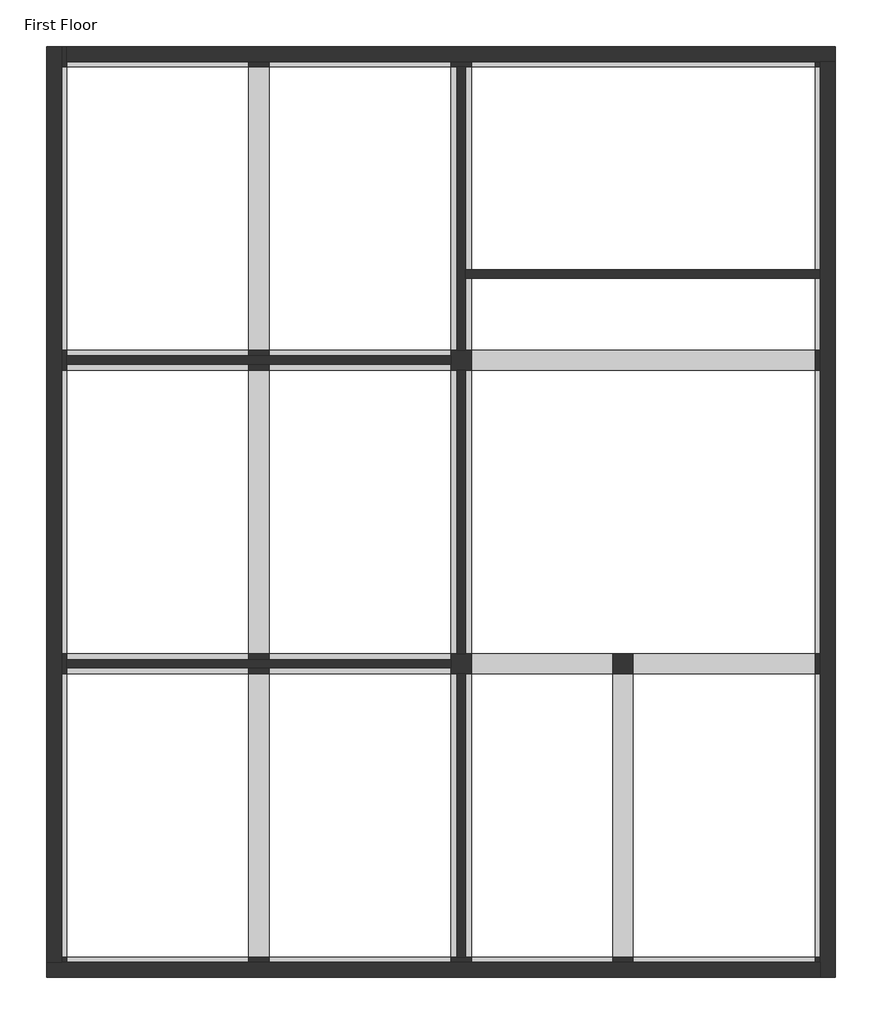
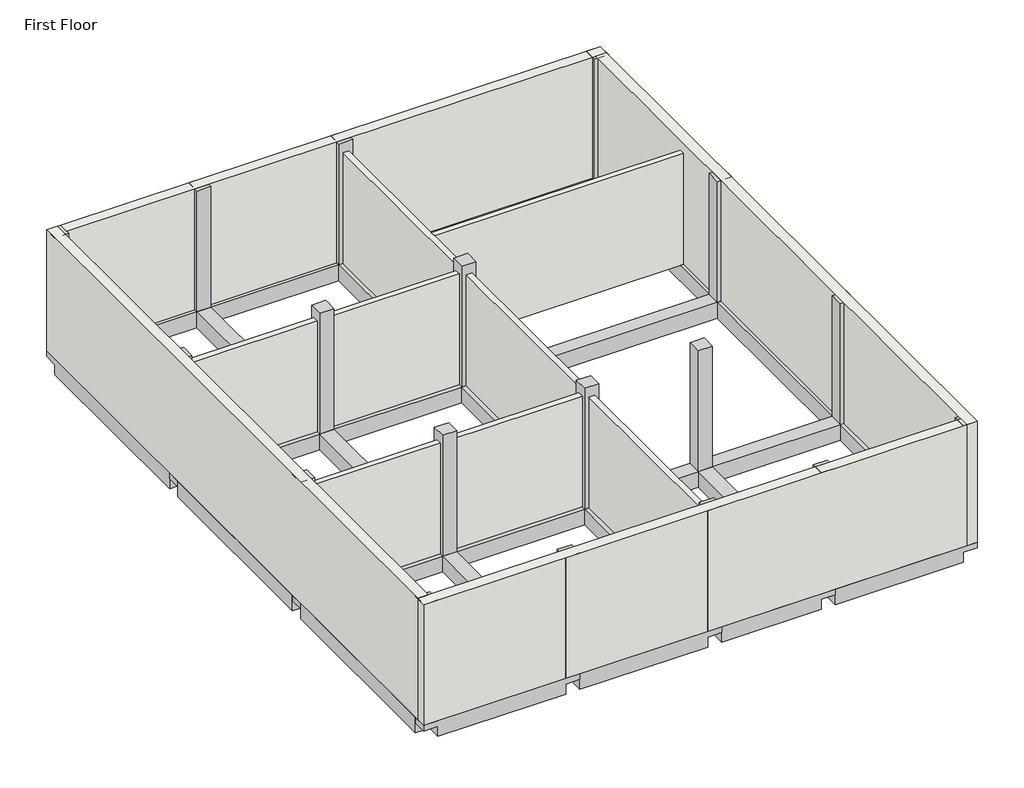
# One storey: 27 beams, 18 columns, 10 walls.
"""IFC4 building model written with IfcOpenShell, lengths in millimetres."""

import ifcopenshell
import ifcopenshell.guid

model = None  # the IFC model being written
_history = None  # IfcOwnerHistory: only IFC2X3 demands one
_inside = {}  # id of a spatial element -> (the spatial element, [elements in it])
_under = {}  # id of a project, library or spatial element -> (it, [spatial elements below it])
_declared = {}  # id of a project -> (the project, [libraries it declares])
_typed = {}  # id of a type object -> (the type object, [elements of that type])
_made_of = {}  # id of a material, layer set ... -> (it, [elements and type objects made of it])


def new_model(schema):
    """Start an empty IFC model of exactly this schema.

    Asked for "IFC4X3", IfcOpenShell would pick the latest addendum, in which some entities
    have other attributes; the version numbers below select the first issue.
    IFC2X3 requires an IfcOwnerHistory on every rooted entity: one is made here for all.
    """
    global model, _history
    if schema == "IFC4X3":
        model = ifcopenshell.file(schema_version=(4, 3, 0, 0))
    else:
        model = ifcopenshell.file(schema=schema)
    _inside.clear()
    _under.clear()
    _declared.clear()
    _typed.clear()
    _made_of.clear()
    _history = None
    if model.schema == "IFC2X3":
        org = make("IfcOrganization", Name="unknown")
        user = make(
            "IfcPersonAndOrganization",
            ThePerson=make("IfcPerson", FamilyName="unknown"),
            TheOrganization=org,
        )
        app = make(
            "IfcApplication",
            ApplicationDeveloper=org,
            Version="unknown",
            ApplicationFullName="unknown",
            ApplicationIdentifier="unknown",
        )
        _history = make(
            "IfcOwnerHistory",
            OwningUser=user,
            OwningApplication=app,
            ChangeAction="ADDED",
            CreationDate=0,
        )
    return model


def make(cls, **values):
    """One entity of the class cls with the attributes given. An attribute that is None is left unset."""
    return model.create_entity(
        cls, **{name: value for name, value in values.items() if value is not None}
    )


def rooted(cls, **values):
    """An entity with a GlobalId (a new one), such as an element, a storey or a relation."""
    return make(cls, GlobalId=ifcopenshell.guid.new(), OwnerHistory=_history, **values)


def si_unit(unit_type, name, prefix=None):
    """IfcSIUnit, for example si_unit("LENGTHUNIT", "METRE", prefix="MILLI")."""
    return make("IfcSIUnit", UnitType=unit_type, Prefix=prefix, Name=name)


def assignment(units):
    """IfcUnitAssignment: the units of a project."""
    return None if units is None else make("IfcUnitAssignment", Units=units)


def point(xyz):
    """IfcCartesianPoint."""
    return None if xyz is None else make("IfcCartesianPoint", Coordinates=xyz)


def direction(xyz):
    """IfcDirection."""
    return None if xyz is None else make("IfcDirection", DirectionRatios=xyz)


def frame(location, z_axis=None, x_axis=None):
    """IfcAxis2Placement3D, a coordinate frame: its origin and axes. An axis left out is left unset."""
    return make(
        "IfcAxis2Placement3D",
        Location=point(location),
        Axis=direction(z_axis),
        RefDirection=direction(x_axis),
    )


def origin():
    """The frame at (0, 0, 0) with its axes left unset."""
    return frame((0.0, 0.0, 0.0))


def place(relative_to, where):
    """IfcLocalPlacement: puts the frame where relative to a parent placement (None: the world)."""
    return make(
        "IfcLocalPlacement", PlacementRelTo=relative_to, RelativePlacement=where
    )


def context(
    kind, dimensions, precision=None, world=None, true_north=None, identifier=None
):
    """IfcGeometricRepresentationContext, for example the 3D "Model" context."""
    return make(
        "IfcGeometricRepresentationContext",
        ContextIdentifier=identifier,
        ContextType=kind,
        CoordinateSpaceDimension=dimensions,
        Precision=precision,
        WorldCoordinateSystem=world,
        TrueNorth=true_north,
    )


def project(units=None, contexts=None):
    """IfcProject with its units and contexts."""
    return rooted(
        "IfcProject",
        Name="project",
        RepresentationContexts=contexts,
        UnitsInContext=assignment(units),
    )


def spatial(cls, under=None, at=None, **own):
    """A site, building, storey or space (cls), placed at a placement, below another one or the project."""
    s = rooted(cls, ObjectPlacement=at, **own)
    if under is not None:
        _under.setdefault(under.id(), (under, []))[1].append(s)
    return s


def polyline(points):
    """IfcPolyline through the points."""
    return make("IfcPolyline", Points=[point(p) for p in points])


def outline(outer, holes=None, kind="AREA"):
    """IfcArbitraryClosedProfileDef: a profile drawn as a closed curve; with holes, ...WithVoids."""
    if holes is None:
        return make("IfcArbitraryClosedProfileDef", ProfileType=kind, OuterCurve=outer)
    return make(
        "IfcArbitraryProfileDefWithVoids",
        ProfileType=kind,
        OuterCurve=outer,
        InnerCurves=holes,
    )


def extrude(swept, where, along, depth):
    """IfcExtrudedAreaSolid: the profile swept, set in the frame where, extruded along a direction by depth."""
    return make(
        "IfcExtrudedAreaSolid",
        SweptArea=swept,
        Position=where,
        ExtrudedDirection=direction(along),
        Depth=depth,
    )


def faces_of(points, faces, orient=None, outer=None):
    """IfcFace entities. A face is a list of loops; a loop is a list of indices into points, from 0.

    orient and outer hold one flag for each loop. By default every Orientation is true, the
    first loop of a face is its IfcFaceOuterBound and the others are IfcFaceBound.
    """
    made = []
    for i, loops in enumerate(faces):
        bounds = []
        for j, loop in enumerate(loops):
            is_outer = j == 0 if outer is None else outer[i][j]
            bounds.append(
                make(
                    "IfcFaceOuterBound" if is_outer else "IfcFaceBound",
                    Bound=make("IfcPolyLoop", Polygon=[points[k] for k in loop]),
                    Orientation=True if orient is None else orient[i][j],
                )
            )
        made.append(make("IfcFace", Bounds=bounds))
    return made


def faceted_brep(points, faces, orient=None, outer=None, voids=None):
    """IfcFacetedBrep: a solid bounded by flat faces; with voids (closed shells), ...WithVoids."""
    shared = [point(p) for p in points]
    hull = make("IfcClosedShell", CfsFaces=faces_of(shared, faces, orient, outer))
    if voids is None:
        return make("IfcFacetedBrep", Outer=hull)
    return make(
        "IfcFacetedBrepWithVoids",
        Outer=hull,
        Voids=[
            make(cls, CfsFaces=faces_of(shared, fs, o, b)) for cls, fs, o, b in voids
        ],
    )


def shape(context_of_items, identifier, shape_type, items):
    """IfcShapeRepresentation: the items that make up one representation, for example the "Body"."""
    return make(
        "IfcShapeRepresentation",
        ContextOfItems=context_of_items,
        RepresentationIdentifier=identifier,
        RepresentationType=shape_type,
        Items=items,
    )


def made_of(thing, what):
    """Note that an element or type object is made of a material, layer set ...; save() writes the relation."""
    if what is not None:
        _made_of.setdefault(what.id(), (what, []))[1].append(thing)
    return thing


def element(
    cls,
    number,
    at=None,
    inside=None,
    cuts=None,
    type_object=None,
    material=None,
    context=None,
    identifier="Body",
    shape_type=None,
    held_by="IfcProductDefinitionShape",
    body=None,
    shapes=None,
    **own,
):
    """One element of the class cls, such as IfcWall. Its Tag is "e" and its number.

    at: its placement. inside: the storey or other place that contains it. cuts: it is an
    opening in that element (IfcRelVoidsElement). A single representation is given by context,
    identifier, shape_type and body (its items); several are given by shapes. held_by: the class
    of the entity that holds the representations. save() writes the other relations.
    """
    e = rooted(cls, Tag="e%d" % number, ObjectPlacement=at, **own)
    if body is not None:
        shapes = [shape(context, identifier, shape_type, body)]
    if shapes is not None:
        e.Representation = make(held_by, Representations=shapes)
    if inside is not None:
        _inside.setdefault(inside.id(), (inside, []))[1].append(e)
    if cuts is not None:
        rooted(
            "IfcRelVoidsElement", RelatingBuildingElement=cuts, RelatedOpeningElement=e
        )
    if type_object is not None:
        _typed.setdefault(type_object.id(), (type_object, []))[1].append(e)
    return made_of(e, material)


def aggregate(whole, parts):
    """IfcRelAggregates: a whole, such as a stair, and the parts it consists of."""
    return rooted("IfcRelAggregates", RelatingObject=whole, RelatedObjects=parts)


def save(model, path):
    """Write the relations noted so far, then the file.

    IfcRelAggregates (storeys below a building ...), IfcRelContainedInSpatialStructure (elements
    in a storey), IfcRelDefinesByType, IfcRelAssociatesMaterial and IfcRelDeclares: one each for
    every whole, place, type object, material and project.
    """
    for whole, parts in _under.values():
        aggregate(whole, parts)
    for where, things in _inside.values():
        rooted(
            "IfcRelContainedInSpatialStructure",
            RelatedElements=things,
            RelatingStructure=where,
        )
    for kind, things in _typed.values():
        rooted("IfcRelDefinesByType", RelatedObjects=things, RelatingType=kind)
    for what, things in _made_of.values():
        rooted("IfcRelAssociatesMaterial", RelatedObjects=things, RelatingMaterial=what)
    for by, libraries in _declared.values():
        rooted("IfcRelDeclares", RelatingContext=by, RelatedDefinitions=libraries)
    model.write(path)


model = new_model("IFC4")

# Units and contexts
model_context = context("Model", 3, world=origin())
ifc_project = project(units=[si_unit("LENGTHUNIT", "METRE", prefix="MILLI")], contexts=[model_context])

# Site, building, storey
site = spatial("IfcSite", under=ifc_project)
building = spatial("IfcBuilding", under=site)
storey = spatial("IfcBuildingStorey", under=building, Name="First Floor", Elevation=2870.2)

# Beams
placement = place(None, origin())
element("IfcBeam", 1, ObjectType="Concrete-Rectangular Beam", at=placement, inside=storey, context=model_context, shape_type="Brep", body=[
    faceted_brep([(6210.1409002, -15344.0114294, 2870.2), (6210.1409002, -15039.2114294, 2870.2), (5905.3409002, -15039.2114294, 2870.2), (3162.1409002, -15039.2114294, 2870.2), (2857.3409002, -15039.2114294, 2870.2), (2857.3409002, -15344.0114294, 2870.2), (3162.1409002, -15344.0114294, 2870.2), (5905.3409002, -15344.0114294, 2870.2), (2857.3409002, -15344.0114294, 2743.2), (3162.1409002, -15344.0114294, 2743.2), (3162.1409002, -15344.0114294, 2514.6), (5905.3409002, -15344.0114294, 2514.6), (5905.3409002, -15344.0114294, 2743.2), (6210.1409002, -15344.0114294, 2743.2), (3162.1409002, -15039.2114294, 2514.6), (5905.3409002, -15039.2114294, 2514.6), (6210.1409002, -15039.2114294, 2743.2), (5905.3409002, -15039.2114294, 2743.2), (3162.1409002, -15039.2114294, 2743.2), (2857.3409002, -15039.2114294, 2743.2)], [[[0, 1, 2, 3, 4, 5, 6, 7]], [[0, 7, 6, 5, 8, 9, 10, 11, 12, 13]], [[10, 14, 15, 11]], [[4, 3, 2, 1, 16, 17, 15, 14, 18, 19]], [[1, 0, 13, 16]], [[5, 4, 19, 8]], [[9, 18, 14, 10]], [[18, 9, 8, 19]], [[17, 12, 11, 15]], [[12, 17, 16, 13]]]),
])
element("IfcBeam", 2, ObjectType="Concrete-Rectangular Beam", at=placement, inside=storey, context=model_context, shape_type="Brep", body=[
    faceted_brep([(9258.1409002, -15344.0114294, 2870.2), (9258.1409002, -15039.2114294, 2870.2), (8953.3409002, -15039.2114294, 2870.2), (6210.1409002, -15039.2114294, 2870.2), (6210.1409002, -15344.0114294, 2870.2), (8953.3409002, -15344.0114294, 2870.2), (6210.1409002, -15344.0114294, 2743.2), (6210.1409002, -15344.0114294, 2514.6), (8953.3409002, -15344.0114294, 2514.6), (8953.3409002, -15344.0114294, 2743.2), (9258.1409002, -15344.0114294, 2743.2), (6210.1409002, -15039.2114294, 2514.6), (8953.3409002, -15039.2114294, 2514.6), (9258.1409002, -15039.2114294, 2743.2), (8953.3409002, -15039.2114294, 2743.2), (6210.1409002, -15039.2114294, 2743.2)], [[[0, 1, 2, 3, 4, 5]], [[0, 5, 4, 6, 7, 8, 9, 10]], [[7, 11, 12, 8]], [[3, 2, 1, 13, 14, 12, 11, 15]], [[1, 0, 10, 13]], [[4, 3, 15, 11, 7, 6]], [[14, 9, 8, 12]], [[9, 14, 13, 10]]]),
])
element("IfcBeam", 3, ObjectType="Concrete-Rectangular Beam", at=placement, inside=storey, context=model_context, shape_type="Brep", body=[
    faceted_brep([(11696.5409002, -15344.0114294, 2870.2), (11696.5409002, -15039.2114294, 2870.2), (11391.7409002, -15039.2114294, 2870.2), (9258.1409002, -15039.2114294, 2870.2), (9258.1409002, -15344.0114294, 2870.2), (11391.7409002, -15344.0114294, 2870.2), (9258.1409002, -15344.0114294, 2743.2), (9258.1409002, -15344.0114294, 2514.6), (11391.7409002, -15344.0114294, 2514.6), (11391.7409002, -15344.0114294, 2743.2), (11696.5409002, -15344.0114294, 2743.2), (9258.1409002, -15039.2114294, 2514.6), (11391.7409002, -15039.2114294, 2514.6), (11696.5409002, -15039.2114294, 2743.2), (11391.7409002, -15039.2114294, 2743.2), (9258.1409002, -15039.2114294, 2743.2)], [[[0, 1, 2, 3, 4, 5]], [[0, 5, 4, 6, 7, 8, 9, 10]], [[7, 11, 12, 8]], [[3, 2, 1, 13, 14, 12, 11, 15]], [[1, 0, 10, 13]], [[4, 3, 15, 11, 7, 6]], [[14, 9, 8, 12]], [[9, 14, 13, 10]]]),
])
element("IfcBeam", 4, ObjectType="Concrete-Rectangular Beam", at=placement, inside=storey, context=model_context, shape_type="Brep", body=[
    faceted_brep([(14744.5409002, -15344.0114294, 2870.2), (14744.5409002, -15039.2114294, 2870.2), (14439.7409002, -15039.2114294, 2870.2), (11696.5409002, -15039.2114294, 2870.2), (11696.5409002, -15344.0114294, 2870.2), (14439.7409002, -15344.0114294, 2870.2), (11696.5409002, -15344.0114294, 2743.2), (11696.5409002, -15344.0114294, 2514.6), (14439.7409002, -15344.0114294, 2514.6), (14439.7409002, -15344.0114294, 2743.2), (14744.5409002, -15344.0114294, 2743.2), (11696.5409002, -15039.2114294, 2514.6), (14439.7409002, -15039.2114294, 2514.6), (14744.5409002, -15039.2114294, 2743.2), (14439.7409002, -15039.2114294, 2743.2), (11696.5409002, -15039.2114294, 2743.2)], [[[0, 1, 2, 3, 4, 5]], [[0, 5, 4, 6, 7, 8, 9, 10]], [[7, 11, 12, 8]], [[3, 2, 1, 13, 14, 12, 11, 15]], [[1, 0, 10, 13]], [[4, 3, 15, 11, 7, 6]], [[14, 9, 8, 12]], [[9, 14, 13, 10]]]),
])
element("IfcBeam", 5, ObjectType="Concrete-Rectangular Beam", at=placement, inside=storey, context=model_context, shape_type="Brep", body=[
    faceted_brep([(6210.1409002, -10772.0114294, 2870.2), (6210.1409002, -10467.2114294, 2870.2), (5905.3409002, -10467.2114294, 2870.2), (3162.1409002, -10467.2114294, 2870.2), (2857.3409002, -10467.2114294, 2870.2), (2857.3409002, -10772.0114294, 2870.2), (3162.1409002, -10772.0114294, 2870.2), (5905.3409002, -10772.0114294, 2870.2), (2857.3409002, -10772.0114294, 2743.2), (3162.1409002, -10772.0114294, 2743.2), (3162.1409002, -10772.0114294, 2514.6), (5905.3409002, -10772.0114294, 2514.6), (5905.3409002, -10772.0114294, 2743.2), (6210.1409002, -10772.0114294, 2743.2), (3162.1409002, -10467.2114294, 2514.6), (5905.3409002, -10467.2114294, 2514.6), (6210.1409002, -10467.2114294, 2743.2), (5905.3409002, -10467.2114294, 2743.2), (3162.1409002, -10467.2114294, 2743.2), (2857.3409002, -10467.2114294, 2743.2)], [[[0, 1, 2, 3, 4, 5, 6, 7]], [[0, 7, 6, 5, 8, 9, 10, 11, 12, 13]], [[10, 14, 15, 11]], [[4, 3, 2, 1, 16, 17, 15, 14, 18, 19]], [[1, 0, 13, 16]], [[5, 4, 19, 8]], [[9, 18, 14, 10]], [[18, 9, 8, 19]], [[17, 12, 11, 15]], [[12, 17, 16, 13]]]),
])
element("IfcBeam", 6, ObjectType="Concrete-Rectangular Beam", at=placement, inside=storey, context=model_context, shape_type="Brep", body=[
    faceted_brep([(9258.1409002, -10772.0114294, 2870.2), (9258.1409002, -10467.2114294, 2870.2), (8953.3409002, -10467.2114294, 2870.2), (6210.1409002, -10467.2114294, 2870.2), (6210.1409002, -10772.0114294, 2870.2), (8953.3409002, -10772.0114294, 2870.2), (6210.1409002, -10772.0114294, 2743.2), (6210.1409002, -10772.0114294, 2514.6), (8953.3409002, -10772.0114294, 2514.6), (8953.3409002, -10772.0114294, 2743.2), (9258.1409002, -10772.0114294, 2743.2), (6210.1409002, -10467.2114294, 2514.6), (8953.3409002, -10467.2114294, 2514.6), (9258.1409002, -10467.2114294, 2743.2), (8953.3409002, -10467.2114294, 2743.2), (6210.1409002, -10467.2114294, 2743.2)], [[[0, 1, 2, 3, 4, 5]], [[0, 5, 4, 6, 7, 8, 9, 10]], [[7, 11, 12, 8]], [[3, 2, 1, 13, 14, 12, 11, 15]], [[1, 0, 10, 13]], [[4, 3, 15, 11, 7, 6]], [[14, 9, 8, 12]], [[9, 14, 13, 10]]]),
])
element("IfcBeam", 7, ObjectType="Concrete-Rectangular Beam", at=placement, inside=storey, context=model_context, shape_type="Brep", body=[
    faceted_brep([(11696.5409002, -10772.0114294, 2870.2), (11696.5409002, -10467.2114294, 2870.2), (11391.7409002, -10467.2114294, 2870.2), (9258.1409002, -10467.2114294, 2870.2), (9258.1409002, -10772.0114294, 2870.2), (11391.7409002, -10772.0114294, 2870.2), (9258.1409002, -10772.0114294, 2743.2), (9258.1409002, -10772.0114294, 2514.6), (11391.7409002, -10772.0114294, 2514.6), (11391.7409002, -10772.0114294, 2743.2), (11696.5409002, -10772.0114294, 2743.2), (9258.1409002, -10467.2114294, 2514.6), (11391.7409002, -10467.2114294, 2514.6), (11696.5409002, -10467.2114294, 2743.2), (11391.7409002, -10467.2114294, 2743.2), (9258.1409002, -10467.2114294, 2743.2)], [[[0, 1, 2, 3, 4, 5]], [[0, 5, 4, 6, 7, 8, 9, 10]], [[7, 11, 12, 8]], [[3, 2, 1, 13, 14, 12, 11, 15]], [[1, 0, 10, 13]], [[4, 3, 15, 11, 7, 6]], [[14, 9, 8, 12]], [[9, 14, 13, 10]]]),
])
element("IfcBeam", 8, ObjectType="Concrete-Rectangular Beam", at=placement, inside=storey, context=model_context, shape_type="Brep", body=[
    faceted_brep([(14744.5409002, -10772.0114294, 2870.2), (14744.5409002, -10467.2114294, 2870.2), (14439.7409002, -10467.2114294, 2870.2), (11696.5409002, -10467.2114294, 2870.2), (11696.5409002, -10772.0114294, 2870.2), (14439.7409002, -10772.0114294, 2870.2), (11696.5409002, -10772.0114294, 2743.2), (11696.5409002, -10772.0114294, 2514.6), (14439.7409002, -10772.0114294, 2514.6), (14439.7409002, -10772.0114294, 2743.2), (14744.5409002, -10772.0114294, 2743.2), (11696.5409002, -10467.2114294, 2514.6), (14439.7409002, -10467.2114294, 2514.6), (14744.5409002, -10467.2114294, 2743.2), (14439.7409002, -10467.2114294, 2743.2), (11696.5409002, -10467.2114294, 2743.2)], [[[0, 1, 2, 3, 4, 5]], [[0, 5, 4, 6, 7, 8, 9, 10]], [[7, 11, 12, 8]], [[3, 2, 1, 13, 14, 12, 11, 15]], [[1, 0, 10, 13]], [[4, 3, 15, 11, 7, 6]], [[14, 9, 8, 12]], [[9, 14, 13, 10]]]),
])
element("IfcBeam", 9, ObjectType="Concrete-Rectangular Beam", at=placement, inside=storey, context=model_context, shape_type="Brep", body=[
    faceted_brep([(6210.1409002, -6200.0114294, 2870.2), (6210.1409002, -5895.2114294, 2870.2), (5905.3409002, -5895.2114294, 2870.2), (3162.1409002, -5895.2114294, 2870.2), (2857.3409002, -5895.2114294, 2870.2), (2857.3409002, -6200.0114294, 2870.2), (3162.1409002, -6200.0114294, 2870.2), (5905.3409002, -6200.0114294, 2870.2), (2857.3409002, -6200.0114294, 2743.2), (3162.1409002, -6200.0114294, 2743.2), (3162.1409002, -6200.0114294, 2514.6), (5905.3409002, -6200.0114294, 2514.6), (5905.3409002, -6200.0114294, 2743.2), (6210.1409002, -6200.0114294, 2743.2), (3162.1409002, -5895.2114294, 2514.6), (5905.3409002, -5895.2114294, 2514.6), (6210.1409002, -5895.2114294, 2743.2), (5905.3409002, -5895.2114294, 2743.2), (3162.1409002, -5895.2114294, 2743.2), (2857.3409002, -5895.2114294, 2743.2)], [[[0, 1, 2, 3, 4, 5, 6, 7]], [[0, 7, 6, 5, 8, 9, 10, 11, 12, 13]], [[10, 14, 15, 11]], [[4, 3, 2, 1, 16, 17, 15, 14, 18, 19]], [[1, 0, 13, 16]], [[5, 4, 19, 8]], [[9, 18, 14, 10]], [[18, 9, 8, 19]], [[17, 12, 11, 15]], [[12, 17, 16, 13]]]),
])
element("IfcBeam", 10, ObjectType="Concrete-Rectangular Beam", at=placement, inside=storey, context=model_context, shape_type="Brep", body=[
    faceted_brep([(9258.1409002, -6200.0114294, 2870.2), (9258.1409002, -5895.2114294, 2870.2), (8953.3409002, -5895.2114294, 2870.2), (6210.1409002, -5895.2114294, 2870.2), (6210.1409002, -6200.0114294, 2870.2), (8953.3409002, -6200.0114294, 2870.2), (6210.1409002, -6200.0114294, 2743.2), (6210.1409002, -6200.0114294, 2514.6), (8953.3409002, -6200.0114294, 2514.6), (8953.3409002, -6200.0114294, 2743.2), (9258.1409002, -6200.0114294, 2743.2), (6210.1409002, -5895.2114294, 2514.6), (8953.3409002, -5895.2114294, 2514.6), (9258.1409002, -5895.2114294, 2743.2), (8953.3409002, -5895.2114294, 2743.2), (6210.1409002, -5895.2114294, 2743.2)], [[[0, 1, 2, 3, 4, 5]], [[0, 5, 4, 6, 7, 8, 9, 10]], [[7, 11, 12, 8]], [[3, 2, 1, 13, 14, 12, 11, 15]], [[1, 0, 10, 13]], [[4, 3, 15, 11, 7, 6]], [[14, 9, 8, 12]], [[9, 14, 13, 10]]]),
])
element("IfcBeam", 11, ObjectType="Concrete-Rectangular Beam", at=placement, inside=storey, context=model_context, shape_type="Brep", body=[
    faceted_brep([(14744.5409002, -6200.0114294, 2870.2), (14744.5409002, -5895.2114294, 2870.2), (14439.7409002, -5895.2114294, 2870.2), (9258.1409002, -5895.2114294, 2870.2), (9258.1409002, -6200.0114294, 2870.2), (14439.7409002, -6200.0114294, 2870.2), (9258.1409002, -6200.0114294, 2743.2), (9258.1409002, -6200.0114294, 2514.6), (14439.7409002, -6200.0114294, 2514.6), (14439.7409002, -6200.0114294, 2743.2), (14744.5409002, -6200.0114294, 2743.2), (9258.1409002, -5895.2114294, 2514.6), (14439.7409002, -5895.2114294, 2514.6), (14744.5409002, -5895.2114294, 2743.2), (14439.7409002, -5895.2114294, 2743.2), (9258.1409002, -5895.2114294, 2743.2)], [[[0, 1, 2, 3, 4, 5]], [[0, 5, 4, 6, 7, 8, 9, 10]], [[7, 11, 12, 8]], [[3, 2, 1, 13, 14, 12, 11, 15]], [[1, 0, 10, 13]], [[4, 3, 15, 11, 7, 6]], [[14, 9, 8, 12]], [[9, 14, 13, 10]]]),
])
element("IfcBeam", 12, ObjectType="Concrete-Rectangular Beam", at=placement, inside=storey, context=model_context, shape_type="Brep", body=[
    faceted_brep([(3162.1409002, -1323.2114294, 2870.2), (2857.3409002, -1323.2114294, 2870.2), (2857.3409002, -1628.0114294, 2870.2), (2857.3409002, -5895.2114294, 2870.2), (3162.1409002, -5895.2114294, 2870.2), (3162.1409002, -1628.0114294, 2870.2), (2857.3409002, -1323.2114294, 2743.2), (2857.3409002, -1628.0114294, 2743.2), (2857.3409002, -1628.0114294, 2514.6), (2857.3409002, -5895.2114294, 2514.6), (2857.3409002, -5895.2114294, 2743.2), (3162.1409002, -5895.2114294, 2514.6), (3162.1409002, -1628.0114294, 2514.6), (3162.1409002, -5895.2114294, 2743.2), (3162.1409002, -1628.0114294, 2743.2), (3162.1409002, -1323.2114294, 2743.2)], [[[0, 1, 2, 3, 4, 5]], [[3, 2, 1, 6, 7, 8, 9, 10]], [[11, 9, 8, 12]], [[0, 5, 4, 13, 11, 12, 14, 15]], [[1, 0, 15, 6]], [[4, 3, 10, 9, 11, 13]], [[7, 14, 12, 8]], [[14, 7, 6, 15]]]),
])
element("IfcBeam", 13, ObjectType="Concrete-Rectangular Beam", at=placement, inside=storey, context=model_context, shape_type="Brep", body=[
    faceted_brep([(2857.3409002, -10467.2114294, 2870.2), (3162.1409002, -10467.2114294, 2870.2), (3162.1409002, -6200.0114294, 2870.2), (2857.3409002, -6200.0114294, 2870.2), (2857.3409002, -10467.2114294, 2514.6), (2857.3409002, -10467.2114294, 2743.2), (2857.3409002, -6200.0114294, 2743.2), (2857.3409002, -6200.0114294, 2514.6), (3162.1409002, -10467.2114294, 2514.6), (3162.1409002, -6200.0114294, 2514.6), (3162.1409002, -10467.2114294, 2743.2), (3162.1409002, -6200.0114294, 2743.2)], [[[0, 1, 2, 3]], [[4, 5, 0, 3, 6, 7]], [[8, 4, 7, 9]], [[1, 10, 8, 9, 11, 2]], [[1, 0, 5, 4, 8, 10]], [[3, 2, 11, 9, 7, 6]]]),
])
element("IfcBeam", 14, ObjectType="Concrete-Rectangular Beam", at=placement, inside=storey, context=model_context, shape_type="Brep", body=[
    faceted_brep([(2857.3409002, -15039.2114294, 2870.2), (3162.1409002, -15039.2114294, 2870.2), (3162.1409002, -10772.0114294, 2870.2), (2857.3409002, -10772.0114294, 2870.2), (2857.3409002, -15039.2114294, 2514.6), (2857.3409002, -15039.2114294, 2743.2), (2857.3409002, -10772.0114294, 2743.2), (2857.3409002, -10772.0114294, 2514.6), (3162.1409002, -15039.2114294, 2514.6), (3162.1409002, -10772.0114294, 2514.6), (3162.1409002, -15039.2114294, 2743.2), (3162.1409002, -10772.0114294, 2743.2)], [[[0, 1, 2, 3]], [[4, 5, 0, 3, 6, 7]], [[8, 4, 7, 9]], [[1, 10, 8, 9, 11, 2]], [[1, 0, 5, 4, 8, 10]], [[3, 2, 11, 9, 7, 6]]]),
])
element("IfcBeam", 15, ObjectType="Concrete-Rectangular Beam", at=placement, inside=storey, context=model_context, shape_type="Brep", body=[
    faceted_brep([(9258.1409002, -1323.2114294, 2870.2), (8953.3409002, -1323.2114294, 2870.2), (8953.3409002, -1628.0114294, 2870.2), (8953.3409002, -5895.2114294, 2870.2), (9258.1409002, -5895.2114294, 2870.2), (9258.1409002, -1628.0114294, 2870.2), (8953.3409002, -1323.2114294, 2743.2), (8953.3409002, -1628.0114294, 2743.2), (8953.3409002, -1628.0114294, 2514.6), (8953.3409002, -5895.2114294, 2514.6), (8953.3409002, -5895.2114294, 2743.2), (9258.1409002, -5895.2114294, 2514.6), (9258.1409002, -1628.0114294, 2514.6), (9258.1409002, -5895.2114294, 2743.2), (9258.1409002, -1628.0114294, 2743.2), (9258.1409002, -1323.2114294, 2743.2)], [[[0, 1, 2, 3, 4, 5]], [[3, 2, 1, 6, 7, 8, 9, 10]], [[11, 9, 8, 12]], [[0, 5, 4, 13, 11, 12, 14, 15]], [[1, 0, 15, 6]], [[4, 3, 10, 9, 11, 13]], [[7, 14, 12, 8]], [[14, 7, 6, 15]]]),
])
element("IfcBeam", 16, ObjectType="Concrete-Rectangular Beam", at=placement, inside=storey, context=model_context, shape_type="Brep", body=[
    faceted_brep([(8953.3409002, -10467.2114294, 2870.2), (9258.1409002, -10467.2114294, 2870.2), (9258.1409002, -6200.0114294, 2870.2), (8953.3409002, -6200.0114294, 2870.2), (8953.3409002, -10467.2114294, 2514.6), (8953.3409002, -10467.2114294, 2743.2), (8953.3409002, -6200.0114294, 2743.2), (8953.3409002, -6200.0114294, 2514.6), (9258.1409002, -10467.2114294, 2514.6), (9258.1409002, -6200.0114294, 2514.6), (9258.1409002, -10467.2114294, 2743.2), (9258.1409002, -6200.0114294, 2743.2)], [[[0, 1, 2, 3]], [[4, 5, 0, 3, 6, 7]], [[8, 4, 7, 9]], [[1, 10, 8, 9, 11, 2]], [[1, 0, 5, 4, 8, 10]], [[3, 2, 11, 9, 7, 6]]]),
])
element("IfcBeam", 17, ObjectType="Concrete-Rectangular Beam", at=placement, inside=storey, context=model_context, shape_type="Brep", body=[
    faceted_brep([(8953.3409002, -15039.2114294, 2870.2), (9258.1409002, -15039.2114294, 2870.2), (9258.1409002, -10772.0114294, 2870.2), (8953.3409002, -10772.0114294, 2870.2), (8953.3409002, -15039.2114294, 2514.6), (8953.3409002, -15039.2114294, 2743.2), (8953.3409002, -10772.0114294, 2743.2), (8953.3409002, -10772.0114294, 2514.6), (9258.1409002, -15039.2114294, 2514.6), (9258.1409002, -10772.0114294, 2514.6), (9258.1409002, -15039.2114294, 2743.2), (9258.1409002, -10772.0114294, 2743.2)], [[[0, 1, 2, 3]], [[4, 5, 0, 3, 6, 7]], [[8, 4, 7, 9]], [[1, 10, 8, 9, 11, 2]], [[1, 0, 5, 4, 8, 10]], [[3, 2, 11, 9, 7, 6]]]),
])
element("IfcBeam", 18, ObjectType="Concrete-Rectangular Beam", at=placement, inside=storey, context=model_context, shape_type="Brep", body=[
    faceted_brep([(11391.7409002, -15039.2114294, 2870.2), (11696.5409002, -15039.2114294, 2870.2), (11696.5409002, -10772.0114294, 2870.2), (11391.7409002, -10772.0114294, 2870.2), (11391.7409002, -15039.2114294, 2514.6), (11391.7409002, -15039.2114294, 2743.2), (11391.7409002, -10772.0114294, 2743.2), (11391.7409002, -10772.0114294, 2514.6), (11696.5409002, -15039.2114294, 2514.6), (11696.5409002, -10772.0114294, 2514.6), (11696.5409002, -15039.2114294, 2743.2), (11696.5409002, -10772.0114294, 2743.2)], [[[0, 1, 2, 3]], [[4, 5, 0, 3, 6, 7]], [[8, 4, 7, 9]], [[1, 10, 8, 9, 11, 2]], [[1, 0, 5, 4, 8, 10]], [[3, 2, 11, 9, 7, 6]]]),
])
element("IfcBeam", 19, ObjectType="Concrete-Rectangular Beam", at=placement, inside=storey, context=model_context, shape_type="Brep", body=[
    faceted_brep([(6210.1409002, -1628.0114294, 2870.2), (6210.1409002, -1323.2114294, 2870.2), (5905.3409002, -1323.2114294, 2870.2), (3162.1409002, -1323.2114294, 2870.2), (3162.1409002, -1628.0114294, 2870.2), (5905.3409002, -1628.0114294, 2870.2), (3162.1409002, -1628.0114294, 2743.2), (3162.1409002, -1628.0114294, 2514.6), (5905.3409002, -1628.0114294, 2514.6), (5905.3409002, -1628.0114294, 2743.2), (6210.1409002, -1628.0114294, 2743.2), (3162.1409002, -1323.2114294, 2514.6), (5905.3409002, -1323.2114294, 2514.6), (6210.1409002, -1323.2114294, 2743.2), (5905.3409002, -1323.2114294, 2743.2), (3162.1409002, -1323.2114294, 2743.2)], [[[0, 1, 2, 3, 4, 5]], [[0, 5, 4, 6, 7, 8, 9, 10]], [[7, 11, 12, 8]], [[3, 2, 1, 13, 14, 12, 11, 15]], [[1, 0, 10, 13]], [[4, 3, 15, 11, 7, 6]], [[14, 9, 8, 12]], [[9, 14, 13, 10]]]),
])
element("IfcBeam", 20, ObjectType="Concrete-Rectangular Beam", at=placement, inside=storey, context=model_context, shape_type="Brep", body=[
    faceted_brep([(8953.3409002, -1628.0114294, 2870.2), (8953.3409002, -1323.2114294, 2870.2), (6210.1409002, -1323.2114294, 2870.2), (6210.1409002, -1628.0114294, 2870.2), (8953.3409002, -1628.0114294, 2514.6), (8953.3409002, -1628.0114294, 2743.2), (6210.1409002, -1628.0114294, 2743.2), (6210.1409002, -1628.0114294, 2514.6), (8953.3409002, -1323.2114294, 2514.6), (6210.1409002, -1323.2114294, 2514.6), (8953.3409002, -1323.2114294, 2743.2), (6210.1409002, -1323.2114294, 2743.2)], [[[0, 1, 2, 3]], [[4, 5, 0, 3, 6, 7]], [[8, 4, 7, 9]], [[1, 10, 8, 9, 11, 2]], [[1, 0, 5, 4, 8, 10]], [[3, 2, 11, 9, 7, 6]]]),
])
element("IfcBeam", 21, ObjectType="Concrete-Rectangular Beam", at=placement, inside=storey, context=model_context, shape_type="Brep", body=[
    faceted_brep([(14744.5409002, -1628.0114294, 2870.2), (14744.5409002, -1323.2114294, 2870.2), (14439.7409002, -1323.2114294, 2870.2), (9258.1409002, -1323.2114294, 2870.2), (9258.1409002, -1628.0114294, 2870.2), (14439.7409002, -1628.0114294, 2870.2), (9258.1409002, -1628.0114294, 2743.2), (9258.1409002, -1628.0114294, 2514.6), (14439.7409002, -1628.0114294, 2514.6), (14439.7409002, -1628.0114294, 2743.2), (14744.5409002, -1628.0114294, 2743.2), (9258.1409002, -1323.2114294, 2514.6), (14439.7409002, -1323.2114294, 2514.6), (14744.5409002, -1323.2114294, 2743.2), (14439.7409002, -1323.2114294, 2743.2), (9258.1409002, -1323.2114294, 2743.2)], [[[0, 1, 2, 3, 4, 5]], [[0, 5, 4, 6, 7, 8, 9, 10]], [[7, 11, 12, 8]], [[3, 2, 1, 13, 14, 12, 11, 15]], [[1, 0, 10, 13]], [[4, 3, 15, 11, 7, 6]], [[14, 9, 8, 12]], [[9, 14, 13, 10]]]),
])
element("IfcBeam", 22, ObjectType="Concrete-Rectangular Beam", at=placement, inside=storey, context=model_context, shape_type="Brep", body=[
    faceted_brep([(14439.7409002, -5895.2114294, 2870.2), (14744.5409002, -5895.2114294, 2870.2), (14744.5409002, -1628.0114294, 2870.2), (14439.7409002, -1628.0114294, 2870.2), (14439.7409002, -5895.2114294, 2514.6), (14439.7409002, -5895.2114294, 2743.2), (14439.7409002, -1628.0114294, 2743.2), (14439.7409002, -1628.0114294, 2514.6), (14744.5409002, -5895.2114294, 2514.6), (14744.5409002, -1628.0114294, 2514.6), (14744.5409002, -5895.2114294, 2743.2), (14744.5409002, -1628.0114294, 2743.2)], [[[0, 1, 2, 3]], [[4, 5, 0, 3, 6, 7]], [[8, 4, 7, 9]], [[1, 10, 8, 9, 11, 2]], [[1, 0, 5, 4, 8, 10]], [[3, 2, 11, 9, 7, 6]]]),
])
element("IfcBeam", 23, ObjectType="Concrete-Rectangular Beam", at=placement, inside=storey, context=model_context, shape_type="Brep", body=[
    faceted_brep([(14439.7409002, -10467.2114294, 2870.2), (14744.5409002, -10467.2114294, 2870.2), (14744.5409002, -6200.0114294, 2870.2), (14439.7409002, -6200.0114294, 2870.2), (14439.7409002, -10467.2114294, 2514.6), (14439.7409002, -10467.2114294, 2743.2), (14439.7409002, -6200.0114294, 2743.2), (14439.7409002, -6200.0114294, 2514.6), (14744.5409002, -10467.2114294, 2514.6), (14744.5409002, -6200.0114294, 2514.6), (14744.5409002, -10467.2114294, 2743.2), (14744.5409002, -6200.0114294, 2743.2)], [[[0, 1, 2, 3]], [[4, 5, 0, 3, 6, 7]], [[8, 4, 7, 9]], [[1, 10, 8, 9, 11, 2]], [[1, 0, 5, 4, 8, 10]], [[3, 2, 11, 9, 7, 6]]]),
])
element("IfcBeam", 24, ObjectType="Concrete-Rectangular Beam", at=placement, inside=storey, context=model_context, shape_type="Brep", body=[
    faceted_brep([(14439.7409002, -15039.2114294, 2870.2), (14744.5409002, -15039.2114294, 2870.2), (14744.5409002, -10772.0114294, 2870.2), (14439.7409002, -10772.0114294, 2870.2), (14439.7409002, -15039.2114294, 2514.6), (14439.7409002, -15039.2114294, 2743.2), (14439.7409002, -10772.0114294, 2743.2), (14439.7409002, -10772.0114294, 2514.6), (14744.5409002, -15039.2114294, 2514.6), (14744.5409002, -10772.0114294, 2514.6), (14744.5409002, -15039.2114294, 2743.2), (14744.5409002, -10772.0114294, 2743.2)], [[[0, 1, 2, 3]], [[4, 5, 0, 3, 6, 7]], [[8, 4, 7, 9]], [[1, 10, 8, 9, 11, 2]], [[1, 0, 5, 4, 8, 10]], [[3, 2, 11, 9, 7, 6]]]),
])
element("IfcBeam", 25, ObjectType="Concrete-Rectangular Beam", at=placement, inside=storey, context=model_context, shape_type="Brep", body=[
    faceted_brep([(5905.3409002, -5895.2114294, 2870.2), (6210.1409002, -5895.2114294, 2870.2), (6210.1409002, -1628.0114294, 2870.2), (5905.3409002, -1628.0114294, 2870.2), (5905.3409002, -5895.2114294, 2514.6), (5905.3409002, -5895.2114294, 2743.2), (5905.3409002, -1628.0114294, 2743.2), (5905.3409002, -1628.0114294, 2514.6), (6210.1409002, -5895.2114294, 2514.6), (6210.1409002, -1628.0114294, 2514.6), (6210.1409002, -5895.2114294, 2743.2), (6210.1409002, -1628.0114294, 2743.2)], [[[0, 1, 2, 3]], [[4, 5, 0, 3, 6, 7]], [[8, 4, 7, 9]], [[1, 10, 8, 9, 11, 2]], [[1, 0, 5, 4, 8, 10]], [[3, 2, 11, 9, 7, 6]]]),
])
element("IfcBeam", 26, ObjectType="Concrete-Rectangular Beam", at=placement, inside=storey, context=model_context, shape_type="Brep", body=[
    faceted_brep([(5905.3409002, -10467.2114294, 2870.2), (6210.1409002, -10467.2114294, 2870.2), (6210.1409002, -6200.0114294, 2870.2), (5905.3409002, -6200.0114294, 2870.2), (5905.3409002, -10467.2114294, 2514.6), (5905.3409002, -10467.2114294, 2743.2), (5905.3409002, -6200.0114294, 2743.2), (5905.3409002, -6200.0114294, 2514.6), (6210.1409002, -10467.2114294, 2514.6), (6210.1409002, -6200.0114294, 2514.6), (6210.1409002, -10467.2114294, 2743.2), (6210.1409002, -6200.0114294, 2743.2)], [[[0, 1, 2, 3]], [[4, 5, 0, 3, 6, 7]], [[8, 4, 7, 9]], [[1, 10, 8, 9, 11, 2]], [[1, 0, 5, 4, 8, 10]], [[3, 2, 11, 9, 7, 6]]]),
])
element("IfcBeam", 27, ObjectType="Concrete-Rectangular Beam", at=placement, inside=storey, context=model_context, shape_type="Brep", body=[
    faceted_brep([(5905.3409002, -15039.2114294, 2870.2), (6210.1409002, -15039.2114294, 2870.2), (6210.1409002, -10772.0114294, 2870.2), (5905.3409002, -10772.0114294, 2870.2), (5905.3409002, -15039.2114294, 2514.6), (5905.3409002, -15039.2114294, 2743.2), (5905.3409002, -10772.0114294, 2743.2), (5905.3409002, -10772.0114294, 2514.6), (6210.1409002, -15039.2114294, 2514.6), (6210.1409002, -10772.0114294, 2514.6), (6210.1409002, -15039.2114294, 2743.2), (6210.1409002, -10772.0114294, 2743.2)], [[[0, 1, 2, 3]], [[4, 5, 0, 3, 6, 7]], [[8, 4, 7, 9]], [[1, 10, 8, 9, 11, 2]], [[1, 0, 5, 4, 8, 10]], [[3, 2, 11, 9, 7, 6]]]),
])

# Columns
element("IfcColumn", 28, ObjectType="Concrete-Rectangular-Column", at=placement, inside=storey, context=model_context, shape_type="SweptSolid", body=[
    extrude(outline(polyline([(3162.1409002, -15039.2114294), (3162.1409002, -15344.0114294), (2857.3409002, -15344.0114294), (2857.3409002, -15039.2114294), (3162.1409002, -15039.2114294)])), frame((0.0, 0.0, 2870.2), z_axis=(0.0, 0.0, 1.0), x_axis=(1.0, 0.0, 0.0)), (0.0, 0.0, 1.0), 2743.2),
])
element("IfcColumn", 29, ObjectType="Concrete-Rectangular-Column", at=placement, inside=storey, context=model_context, shape_type="SweptSolid", body=[
    extrude(outline(polyline([(9258.1409002, -15039.2114294), (9258.1409002, -15344.0114294), (8953.3409002, -15344.0114294), (8953.3409002, -15039.2114294), (9258.1409002, -15039.2114294)])), frame((0.0, 0.0, 2870.2), z_axis=(0.0, 0.0, 1.0), x_axis=(1.0, 0.0, 0.0)), (0.0, 0.0, 1.0), 2743.2),
])
element("IfcColumn", 30, ObjectType="Concrete-Rectangular-Column", at=placement, inside=storey, context=model_context, shape_type="SweptSolid", body=[
    extrude(outline(polyline([(11696.5409002, -15039.2114294), (11696.5409002, -15344.0114294), (11391.7409002, -15344.0114294), (11391.7409002, -15039.2114294), (11696.5409002, -15039.2114294)])), frame((0.0, 0.0, 2870.2), z_axis=(0.0, 0.0, 1.0), x_axis=(1.0, 0.0, 0.0)), (0.0, 0.0, 1.0), 2743.2),
])
element("IfcColumn", 31, ObjectType="Concrete-Rectangular-Column", at=placement, inside=storey, context=model_context, shape_type="SweptSolid", body=[
    extrude(outline(polyline([(14744.5409002, -15039.2114294), (14744.5409002, -15344.0114294), (14439.7409002, -15344.0114294), (14439.7409002, -15039.2114294), (14744.5409002, -15039.2114294)])), frame((0.0, 0.0, 2870.2), z_axis=(0.0, 0.0, 1.0), x_axis=(1.0, 0.0, 0.0)), (0.0, 0.0, 1.0), 2743.2),
])
element("IfcColumn", 32, ObjectType="Concrete-Rectangular-Column", at=placement, inside=storey, context=model_context, shape_type="SweptSolid", body=[
    extrude(outline(polyline([(6210.1409002, -15039.2114294), (6210.1409002, -15344.0114294), (5905.3409002, -15344.0114294), (5905.3409002, -15039.2114294), (6210.1409002, -15039.2114294)])), frame((0.0, 0.0, 2870.2), z_axis=(0.0, 0.0, 1.0), x_axis=(1.0, 0.0, 0.0)), (0.0, 0.0, 1.0), 2743.2),
])
element("IfcColumn", 33, ObjectType="Concrete-Rectangular-Column", at=placement, inside=storey, context=model_context, shape_type="SweptSolid", body=[
    extrude(outline(polyline([(3162.1409002, -10467.2114294), (3162.1409002, -10772.0114294), (2857.3409002, -10772.0114294), (2857.3409002, -10467.2114294), (3162.1409002, -10467.2114294)])), frame((0.0, 0.0, 2870.2), z_axis=(0.0, 0.0, 1.0), x_axis=(1.0, 0.0, 0.0)), (0.0, 0.0, 1.0), 2743.2),
])
element("IfcColumn", 34, ObjectType="Concrete-Rectangular-Column", at=placement, inside=storey, context=model_context, shape_type="SweptSolid", body=[
    extrude(outline(polyline([(9258.1409002, -10467.2114294), (9258.1409002, -10772.0114294), (8953.3409002, -10772.0114294), (8953.3409002, -10467.2114294), (9258.1409002, -10467.2114294)])), frame((0.0, 0.0, 2870.2), z_axis=(0.0, 0.0, 1.0), x_axis=(1.0, 0.0, 0.0)), (0.0, 0.0, 1.0), 2743.2),
])
element("IfcColumn", 35, ObjectType="Concrete-Rectangular-Column", at=placement, inside=storey, context=model_context, shape_type="SweptSolid", body=[
    extrude(outline(polyline([(11696.5409002, -10467.2114294), (11696.5409002, -10772.0114294), (11391.7409002, -10772.0114294), (11391.7409002, -10467.2114294), (11696.5409002, -10467.2114294)])), frame((0.0, 0.0, 2870.2), z_axis=(0.0, 0.0, 1.0), x_axis=(1.0, 0.0, 0.0)), (0.0, 0.0, 1.0), 2743.2),
])
element("IfcColumn", 36, ObjectType="Concrete-Rectangular-Column", at=placement, inside=storey, context=model_context, shape_type="SweptSolid", body=[
    extrude(outline(polyline([(14744.5409002, -10467.2114294), (14744.5409002, -10772.0114294), (14439.7409002, -10772.0114294), (14439.7409002, -10467.2114294), (14744.5409002, -10467.2114294)])), frame((0.0, 0.0, 2870.2), z_axis=(0.0, 0.0, 1.0), x_axis=(1.0, 0.0, 0.0)), (0.0, 0.0, 1.0), 2743.2),
])
element("IfcColumn", 37, ObjectType="Concrete-Rectangular-Column", at=placement, inside=storey, context=model_context, shape_type="SweptSolid", body=[
    extrude(outline(polyline([(6210.1409002, -10467.2114294), (6210.1409002, -10772.0114294), (5905.3409002, -10772.0114294), (5905.3409002, -10467.2114294), (6210.1409002, -10467.2114294)])), frame((0.0, 0.0, 2870.2), z_axis=(0.0, 0.0, 1.0), x_axis=(1.0, 0.0, 0.0)), (0.0, 0.0, 1.0), 2743.2),
])
element("IfcColumn", 38, ObjectType="Concrete-Rectangular-Column", at=placement, inside=storey, context=model_context, shape_type="SweptSolid", body=[
    extrude(outline(polyline([(3162.1409002, -5895.2114294), (3162.1409002, -6200.0114294), (2857.3409002, -6200.0114294), (2857.3409002, -5895.2114294), (3162.1409002, -5895.2114294)])), frame((0.0, 0.0, 2870.2), z_axis=(0.0, 0.0, 1.0), x_axis=(1.0, 0.0, 0.0)), (0.0, 0.0, 1.0), 2743.2),
])
element("IfcColumn", 39, ObjectType="Concrete-Rectangular-Column", at=placement, inside=storey, context=model_context, shape_type="SweptSolid", body=[
    extrude(outline(polyline([(9258.1409002, -5895.2114294), (9258.1409002, -6200.0114294), (8953.3409002, -6200.0114294), (8953.3409002, -5895.2114294), (9258.1409002, -5895.2114294)])), frame((0.0, 0.0, 2870.2), z_axis=(0.0, 0.0, 1.0), x_axis=(1.0, 0.0, 0.0)), (0.0, 0.0, 1.0), 2743.2),
])
element("IfcColumn", 40, ObjectType="Concrete-Rectangular-Column", at=placement, inside=storey, context=model_context, shape_type="SweptSolid", body=[
    extrude(outline(polyline([(14744.5409002, -5895.2114294), (14744.5409002, -6200.0114294), (14439.7409002, -6200.0114294), (14439.7409002, -5895.2114294), (14744.5409002, -5895.2114294)])), frame((0.0, 0.0, 2870.2), z_axis=(0.0, 0.0, 1.0), x_axis=(1.0, 0.0, 0.0)), (0.0, 0.0, 1.0), 2743.2),
])
element("IfcColumn", 41, ObjectType="Concrete-Rectangular-Column", at=placement, inside=storey, context=model_context, shape_type="SweptSolid", body=[
    extrude(outline(polyline([(6210.1409002, -5895.2114294), (6210.1409002, -6200.0114294), (5905.3409002, -6200.0114294), (5905.3409002, -5895.2114294), (6210.1409002, -5895.2114294)])), frame((0.0, 0.0, 2870.2), z_axis=(0.0, 0.0, 1.0), x_axis=(1.0, 0.0, 0.0)), (0.0, 0.0, 1.0), 2743.2),
])
element("IfcColumn", 42, ObjectType="Concrete-Rectangular-Column", at=placement, inside=storey, context=model_context, shape_type="SweptSolid", body=[
    extrude(outline(polyline([(3162.1409002, -1323.2114294), (3162.1409002, -1628.0114294), (2857.3409002, -1628.0114294), (2857.3409002, -1323.2114294), (3162.1409002, -1323.2114294)])), frame((0.0, 0.0, 2870.2), z_axis=(0.0, 0.0, 1.0), x_axis=(1.0, 0.0, 0.0)), (0.0, 0.0, 1.0), 2743.2),
])
element("IfcColumn", 43, ObjectType="Concrete-Rectangular-Column", at=placement, inside=storey, context=model_context, shape_type="SweptSolid", body=[
    extrude(outline(polyline([(9258.1409002, -1323.2114294), (9258.1409002, -1628.0114294), (8953.3409002, -1628.0114294), (8953.3409002, -1323.2114294), (9258.1409002, -1323.2114294)])), frame((0.0, 0.0, 2870.2), z_axis=(0.0, 0.0, 1.0), x_axis=(1.0, 0.0, 0.0)), (0.0, 0.0, 1.0), 2743.2),
])
element("IfcColumn", 44, ObjectType="Concrete-Rectangular-Column", at=placement, inside=storey, context=model_context, shape_type="SweptSolid", body=[
    extrude(outline(polyline([(14744.5409002, -1323.2114294), (14744.5409002, -1628.0114294), (14439.7409002, -1628.0114294), (14439.7409002, -1323.2114294), (14744.5409002, -1323.2114294)])), frame((0.0, 0.0, 2870.2), z_axis=(0.0, 0.0, 1.0), x_axis=(1.0, 0.0, 0.0)), (0.0, 0.0, 1.0), 2743.2),
])
element("IfcColumn", 45, ObjectType="Concrete-Rectangular-Column", at=placement, inside=storey, context=model_context, shape_type="SweptSolid", body=[
    extrude(outline(polyline([(6210.1409002, -1323.2114294), (6210.1409002, -1628.0114294), (5905.3409002, -1628.0114294), (5905.3409002, -1323.2114294), (6210.1409002, -1323.2114294)])), frame((0.0, 0.0, 2870.2), z_axis=(0.0, 0.0, 1.0), x_axis=(1.0, 0.0, 0.0)), (0.0, 0.0, 1.0), 2743.2),
])

# Walls
element("IfcWall", 46, ObjectType="5\" Wall", at=placement, inside=storey, context=model_context, shape_type="SweptSolid", body=[
    extrude(outline(polyline([(8953.3409002, -6111.1114294), (3162.1409002, -6111.1114294), (3162.1409002, -5984.1114294), (8953.3409002, -5984.1114294), (8953.3409002, -6111.1114294)])), frame((0.0, 0.0, 2870.2), z_axis=(0.0, 0.0, 1.0), x_axis=(1.0, 0.0, 0.0)), (0.0, 0.0, 1.0), 2514.6),
])
element("IfcWall", 47, ObjectType="5\" Wall", at=placement, inside=storey, context=model_context, shape_type="Brep", body=[
    faceted_brep([(9169.2409002, -5895.2114294, 2870.2), (9169.2409002, -4815.7114294, 2870.2), (9169.2409002, -4688.7114294, 2870.2), (9169.2409002, -1628.0114294, 2870.2), (9169.2409002, -1628.0114294, 5384.8), (9169.2409002, -4688.7114294, 5384.8), (9169.2409002, -4815.7114294, 5384.8), (9169.2409002, -5895.2114294, 5384.8), (9042.2409002, -5895.2114294, 2870.2), (9042.2409002, -5895.2114294, 5384.8), (9042.2409002, -1628.0114294, 5384.8), (9042.2409002, -1628.0114294, 2870.2)], [[[0, 1, 2, 3, 4, 5, 6, 7]], [[8, 9, 10, 11]], [[3, 2, 1, 0, 8, 11]], [[4, 3, 11, 10]], [[7, 6, 5, 4, 10, 9]], [[0, 7, 9, 8]]]),
])
element("IfcWall", 48, ObjectType="5\" Wall", at=placement, inside=storey, context=model_context, shape_type="SweptSolid", body=[
    extrude(outline(polyline([(9042.2409002, -10467.2114294), (9042.2409002, -6200.0114294), (9169.2409002, -6200.0114294), (9169.2409002, -10467.2114294), (9042.2409002, -10467.2114294)])), frame((0.0, 0.0, 2870.2), z_axis=(0.0, 0.0, 1.0), x_axis=(1.0, 0.0, 0.0)), (0.0, 0.0, 1.0), 2514.6),
])
element("IfcWall", 49, ObjectType="5\" Wall", at=placement, inside=storey, context=model_context, shape_type="SweptSolid", body=[
    extrude(outline(polyline([(3162.1409002, -10556.1114294), (8953.3409002, -10556.1114294), (8953.3409002, -10683.1114294), (3162.1409002, -10683.1114294), (3162.1409002, -10556.1114294)])), frame((0.0, 0.0, 2870.2), z_axis=(0.0, 0.0, 1.0), x_axis=(1.0, 0.0, 0.0)), (0.0, 0.0, 1.0), 2514.6),
])
element("IfcWall", 50, ObjectType="5\" Wall", at=placement, inside=storey, context=model_context, shape_type="SweptSolid", body=[
    extrude(outline(polyline([(9042.2409002, -15039.2114294), (9042.2409002, -10772.0114294), (9169.2409002, -10772.0114294), (9169.2409002, -15039.2114294), (9042.2409002, -15039.2114294)])), frame((0.0, 0.0, 2870.2), z_axis=(0.0, 0.0, 1.0), x_axis=(1.0, 0.0, 0.0)), (0.0, 0.0, 1.0), 2514.6),
])
element("IfcWall", 51, ObjectType="5\" Wall", at=placement, inside=storey, context=model_context, shape_type="SweptSolid", body=[
    extrude(outline(polyline([(14515.9409002, -4815.7114294), (9169.2409002, -4815.7114294), (9169.2409002, -4688.7114294), (14515.9409002, -4688.7114294), (14515.9409002, -4815.7114294)])), frame((0.0, 0.0, 2870.2), z_axis=(0.0, 0.0, 1.0), x_axis=(1.0, 0.0, 0.0)), (0.0, 0.0, 1.0), 2514.6),
])
element("IfcWall", 52, ObjectType="9\" Wall", at=placement, inside=storey, context=model_context, shape_type="Brep", body=[
    faceted_brep([(3162.1409002, -1551.8114294, 2870.2), (14515.9409002, -1551.8114294, 2870.2), (14744.5409002, -1551.8114294, 2870.2), (14744.5409002, -1551.8114294, 5613.4), (14515.9409002, -1551.8114294, 5613.4), (3162.1409002, -1551.8114294, 5613.4), (3162.1409002, -1323.2114294, 2870.2), (3162.1409002, -1323.2114294, 5613.4), (14744.5409002, -1323.2114294, 5613.4), (14744.5409002, -1323.2114294, 2870.2)], [[[0, 1, 2, 3, 4, 5]], [[6, 7, 8, 9]], [[2, 1, 0, 6, 9]], [[5, 4, 3, 8, 7]], [[0, 5, 7, 6]], [[3, 2, 9, 8]]]),
])
element("IfcWall", 53, ObjectType="9\" Wall", at=placement, inside=storey, context=model_context, shape_type="Brep", body=[
    faceted_brep([(14515.9409002, -1551.8114294, 2870.2), (14515.9409002, -4688.7114294, 2870.2), (14515.9409002, -4815.7114294, 2870.2), (14515.9409002, -15115.4114294, 2870.2), (14515.9409002, -15344.0114294, 2870.2), (14515.9409002, -15344.0114294, 5613.4), (14515.9409002, -15115.4114294, 5613.4), (14515.9409002, -1551.8114294, 5613.4), (14744.5409002, -1551.8114294, 2870.2), (14744.5409002, -1551.8114294, 5613.4), (14744.5409002, -15344.0114294, 5613.4), (14744.5409002, -15344.0114294, 2870.2)], [[[0, 1, 2, 3, 4, 5, 6, 7]], [[8, 9, 10, 11]], [[4, 3, 2, 1, 0, 8, 11]], [[7, 6, 5, 10, 9]], [[5, 4, 11, 10]], [[0, 7, 9, 8]]]),
])
element("IfcWall", 54, ObjectType="9\" Wall", at=placement, inside=storey, context=model_context, shape_type="Brep", body=[
    faceted_brep([(14515.9409002, -15115.4114294, 2870.2), (3085.9409002, -15115.4114294, 2870.2), (2857.3409002, -15115.4114294, 2870.2), (2857.3409002, -15115.4114294, 5613.4), (3085.9409002, -15115.4114294, 5613.4), (14515.9409002, -15115.4114294, 5613.4), (14515.9409002, -15344.0114294, 2870.2), (14515.9409002, -15344.0114294, 5613.4), (2857.3409002, -15344.0114294, 5613.4), (2857.3409002, -15344.0114294, 2870.2)], [[[0, 1, 2, 3, 4, 5]], [[6, 7, 8, 9]], [[2, 1, 0, 6, 9]], [[5, 4, 3, 8, 7]], [[0, 5, 7, 6]], [[3, 2, 9, 8]]]),
])
element("IfcWall", 55, ObjectType="9\" Wall", at=placement, inside=storey, context=model_context, shape_type="SweptSolid", body=[
    extrude(outline(polyline([(3085.9409002, -1323.2114294), (3085.9409002, -15115.4114294), (2857.3409002, -15115.4114294), (2857.3409002, -1323.2114294), (3085.9409002, -1323.2114294)])), frame((0.0, 0.0, 2870.2), z_axis=(0.0, 0.0, 1.0), x_axis=(1.0, 0.0, 0.0)), (0.0, 0.0, 1.0), 2743.2),
])

save(model, "model.ifc")
